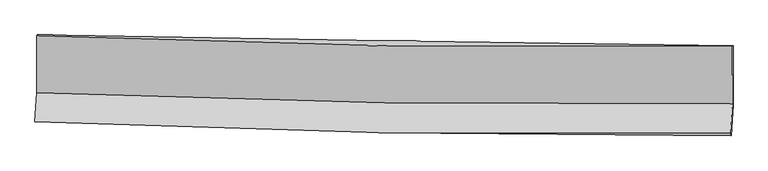
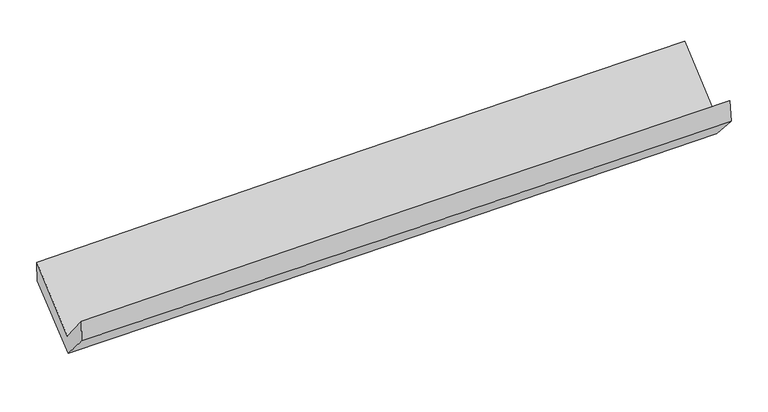
"""IFC4 building model written with IfcOpenShell, lengths in millimetres: proxy geometry."""

from ifc_helpers import new_model, si_unit, frame, origin, place, context, project, spatial, source, transform, mapped, element, save
from ifc_brep_helpers import plane_surface, spline_curve, spline_surface, advanced_brep


def generic_models_1f5fac0b(model_context):
    return source(origin(), model_context, "Body", "AdvancedBrep", [
        advanced_brep(
        [(-3031.3975846, -1178.8835582, 2167.4740689), (-3030.6911475, -1674.6804941, 1731.2952145), (3022.0170871, -1770.9081733, 1871.60666), (3021.3035848, -1270.1527092, 2312.1477946), (-3045.717177, -1927.2081924, 2041.063758), (3006.8042302, -2026.7386947, 2185.091369), (-3039.8551514, -1924.4106493, 1840.7208955), (3011.9128162, -2047.3744541, 1991.3357952), (-3025.8244678, -1677.812473, 1560.4397511), (3026.8728775, -1780.441263, 1695.8115999), (-3025.6755023, -1170.2966228, 1976.7774718), (3027.0305111, -1264.4140214, 2118.9182859)],
        [
            (0, 1),
            (1, 2, spline_curve(3, [(-3030.6911475, -1674.6804941, 1731.2952145), (-2023.092641911, -1715.553423778, 1778.54731248), (-1014.951404054, -1744.009300674, 1813.866006198), (1002.617790895, -1776.09014924, 1860.641250305), (2012.045964562, -1779.710165424, 1872.093038798), (3022.0170871, -1770.9081733, 1871.60666)], [4, 2, 4], [0.0, 9.933936887649857, 19.869855824089296])),
            (2, 3),
            (3, 0, spline_curve(3, [(3021.3035848, -1270.1527092, 2312.1477946), (2011.115302486, -1282.854766772, 2316.903012134), (1001.57914853, -1281.597882278, 2307.221834516), (-1015.987648127, -1251.169263224, 2258.991500334), (-2024.018550472, -1222.003097706, 2220.448102607), (-3031.3975846, -1178.8835582, 2167.4740689)], [4, 2, 4], [0.0, 9.935918936439439, 19.869855824089296])),
            (1, 4),
            (4, 5, spline_curve(3, [(-3045.717177, -1927.2081924, 2041.063758), (-2038.337762925, -1972.036032693, 2092.605932941), (-1030.321647961, -2002.744742704, 2130.379497722), (987.185233587, -2035.927211498, 2178.394196419), (1996.676254296, -2038.395335652, 2188.62983506), (3006.8042302, -2026.7386947, 2185.091369)], [4, 2, 4], [0.0, 9.933847161545193, 19.869676353977546])),
            (5, 2),
            (4, 6),
            (6, 7, spline_curve(3, [(-3039.8551514, -1924.4106493, 1840.7208955), (-2031.723711575, -1959.453411152, 1874.389919559), (-1023.394320457, -1987.221479428, 1903.774848701), (993.861590048, -2028.212317872, 1953.981524893), (2002.788187712, -2041.432184387, 1974.801562397), (3011.9128162, -2047.3744541, 1991.3357952)], [4, 2, 4], [0.0, 9.932817472525237, 19.867616770491004])),
            (7, 5),
            (6, 8),
            (8, 9, spline_curve(3, [(-3025.8244678, -1677.812473, 1560.4397511), (-2016.976958417, -1698.202390985, 1581.521371243), (-1008.212063978, -1716.949059897, 1603.341970006), (1009.353750683, -1751.159312428, 1648.465624548), (2018.15463797, -1766.622240148, 1671.768975581), (3026.8728775, -1780.441263, 1695.8115999)], [4, 2, 4], [0.0, 9.931818442473737, 19.865618511058543])),
            (9, 7),
            (8, 10),
            (10, 11, spline_curve(3, [(-3025.6755023, -1170.2966228, 1976.7774718), (-2016.824447208, -1189.011104612, 1999.127943561), (-1008.057057592, -1206.210830873, 2022.146999079), (1009.511646985, -1237.583901839, 2069.52700335), (2018.312928446, -1251.756641677, 2093.888219372), (3027.0305111, -1264.4140214, 2118.9182859)], [4, 2, 4], [0.0, 9.931915789306837, 19.865813224147672])),
            (11, 9),
            (10, 0),
            (3, 11),
        ],
        [
            spline_surface(3, 3, [[(-3031.3975846, -1178.8835582, 2167.4740689), (-2024.018550351, -1222.003097638, 2220.448102588), (-1015.987647968, -1251.169263301, 2258.991500273), (1001.579148371, -1281.597882201, 2307.221834577), (2011.115302407, -1282.854766925, 2316.903012107), (3021.3035848, -1270.1527092, 2312.1477946)], [(-3031.162105566, -1344.14920348, 2022.081117445), (-2023.709914156, -1386.519873003, 2073.147839243), (-1015.642233329, -1415.449275776, 2110.616335576), (1001.925362547, -1446.428637886, 2158.361639873), (2011.425523158, -1448.473233084, 2168.63302095), (3021.54141889, -1437.071197234, 2165.300749732)], [(-3030.926626534, -1509.41484882, 1876.688165955), (-2023.401277964, -1551.036648427, 1925.847575862), (-1015.296818694, -1579.729288217, 1962.241170807), (1002.271576719, -1611.259393536, 2009.501445096), (2011.735743938, -1614.091699243, 2020.363029796), (3021.77925301, -1603.989685266, 2018.453704868)], [(-3030.6911475, -1674.6804941, 1731.2952145), (-2023.092641769, -1715.553423792, 1778.547312517), (-1014.951404054, -1744.009300693, 1813.866006111), (1002.617790896, -1776.090149222, 1860.641250392), (2012.045964688, -1779.710165402, 1872.093038639), (3022.0170871, -1770.9081733, 1871.60666)]], [4, 4], [4, 2, 4], [0.0, 2.182418473110178], [0.0, 9.933936887649857, 19.869855824089296]),
            spline_surface(3, 3, [[(-3030.6911475, -1674.6804941, 1731.2952145), (-2023.092641769, -1715.553423792, 1778.547312517), (-1014.951404054, -1744.009300693, 1813.866006111), (1002.617790896, -1776.090149222, 1860.641250392), (2012.045964688, -1779.710165402, 1872.093038639), (3022.0170871, -1770.9081733, 1871.60666)], [(-3035.699824003, -1758.856393546, 1834.551395659), (-2028.174348855, -1801.047626799, 1883.233519341), (-1020.07481869, -1830.254448014, 1919.370503317), (997.473605154, -1862.702503307, 1966.558899008), (2006.922727892, -1865.938555513, 1977.605304147), (3016.946134783, -1856.185013764, 1976.101562982)], [(-3040.708500497, -1843.032292954, 1937.807576841), (-2033.256055932, -1886.541829768, 1987.919726188), (-1025.198233368, -1916.499595369, 2024.875000609), (992.329419371, -1949.314857427, 2072.476547709), (2001.799491146, -1952.166945631, 2083.117569709), (3011.875182517, -1941.461854236, 2080.596466018)], [(-3045.717177, -1927.2081924, 2041.063758), (-2038.337763019, -1972.036032775, 2092.605933013), (-1030.321648004, -2002.74474269, 2130.379497816), (987.18523363, -2035.927211512, 2178.394196325), (1996.67625435, -2038.395335742, 2188.629835217), (3006.8042302, -2026.7386947, 2185.091369)]], [4, 4], [4, 2, 4], [0.0, 1.3449049849109929], [0.0, 9.933847161545193, 19.869676353977546]),
            spline_surface(3, 3, [[(-3045.717177, -1927.2081924, 2041.063758), (-2038.337763019, -1972.036032775, 2092.605933013), (-1030.321648004, -2002.74474269, 2130.379497816), (987.18523363, -2035.927211512, 2178.394196325), (1996.67625435, -2038.395335742, 2188.629835217), (3006.8042302, -2026.7386947, 2185.091369)], [(-3043.763168444, -1926.275678038, 1974.282803815), (-2036.133079201, -1967.841825605, 2019.867261865), (-1028.012538755, -1997.570321653, 2054.844614782), (989.410685735, -2033.355580256, 2103.589972558), (1998.713565514, -2039.407618638, 2117.353744316), (3008.507092226, -2033.617281196, 2120.506177753)], [(-3041.809159956, -1925.343163662, 1907.501849685), (-2033.928395452, -1963.647618421, 1947.128590771), (-1025.703429555, -1992.395900605, 1979.309731675), (991.636137792, -2030.783948988, 2028.785748719), (2000.7508766, -2040.419901446, 2046.077653355), (3010.209954174, -2040.495867604, 2055.920986447)], [(-3039.8551514, -1924.4106493, 1840.7208955), (-2031.723711634, -1959.453411251, 1874.389919623), (-1023.394320306, -1987.221479568, 1903.774848641), (993.861589897, -2028.212317731, 1953.981524953), (2002.788187764, -2041.432184342, 1974.801562454), (3011.9128162, -2047.3744541, 1991.3357952)]], [4, 4], [4, 2, 4], [0.0, 0.7411743851084295], [0.0, 9.932817472525237, 19.867616770491004]),
            spline_surface(3, 3, [[(-3039.8551514, -1924.4106493, 1840.7208955), (-2031.723711634, -1959.453411251, 1874.389919623), (-1023.394320306, -1987.221479568, 1903.774848641), (993.861589897, -2028.212317731, 1953.981524953), (2002.788187764, -2041.432184342, 1974.801562454), (3011.9128162, -2047.3744541, 1991.3357952)], [(-3035.178256864, -1842.211257178, 1747.293847393), (-2026.808127263, -1872.369737797, 1776.767070231), (-1018.333568216, -1897.130673005, 1803.630555723), (999.025643496, -1935.861315936, 1852.142891486), (2007.910337831, -1949.828869569, 1873.790700178), (3016.899503295, -1958.396723714, 1892.827730086)], [(-3030.501362336, -1760.011865122, 1653.866799207), (-2021.8925429, -1785.286064408, 1679.144220761), (-1013.272816103, -1807.039866492, 1703.486262861), (1004.189697118, -1843.510314192, 1750.304258077), (2013.032487914, -1858.225554852, 1772.779837946), (3021.886190405, -1869.418993386, 1794.319665014)], [(-3025.8244678, -1677.812473, 1560.4397511), (-2016.976958529, -1698.202390954, 1581.521371369), (-1008.212064013, -1716.949059928, 1603.341969943), (1009.353750718, -1751.159312397, 1648.465624611), (2018.154637981, -1766.622240079, 1671.76897567), (3026.8728775, -1780.441263, 1695.8115999)]], [4, 4], [4, 2, 4], [0.0, 1.3404175205219266], [0.0, 9.931818442473737, 19.865618511058543]),
            spline_surface(3, 3, [[(-3025.8244678, -1677.812473, 1560.4397511), (-2016.976958529, -1698.202390954, 1581.521371369), (-1008.212064013, -1716.949059928, 1603.341969943), (1009.353750718, -1751.159312397, 1648.465624611), (2018.154637981, -1766.622240079, 1671.76897567), (3026.8728775, -1780.441263, 1695.8115999)], [(-3025.774812635, -1508.640522933, 1699.218991324), (-2016.926121461, -1528.471962224, 1720.723562072), (-1008.160395205, -1546.702983639, 1742.943646286), (1009.40638278, -1579.967508857, 1788.819417574), (2018.207401417, -1595.000373941, 1812.475390251), (3026.925422008, -1608.43218246, 1836.847161893)], [(-3025.725157465, -1339.468572867, 1837.998231576), (-2016.875284389, -1358.741533497, 1859.925752804), (-1008.108726359, -1376.456907287, 1882.545322607), (1009.45901488, -1408.775705255, 1929.173210516), (2018.260164929, -1423.378507823, 1953.181804853), (3026.977966592, -1436.42310194, 1977.882723907)], [(-3025.6755023, -1170.2966228, 1976.7774718), (-2016.824447322, -1189.011104767, 1999.127943508), (-1008.05705755, -1206.210830997, 2022.146998949), (1009.511646943, -1237.583901715, 2069.527003479), (2018.312928365, -1251.756641685, 2093.888219434), (3027.0305111, -1264.4140214, 2118.9182859)]], [4, 4], [4, 2, 4], [0.0, 2.172919376745119], [0.0, 9.931915789306837, 19.865813224147672]),
            spline_surface(3, 3, [[(-3025.6755023, -1170.2966228, 1976.7774718), (-2016.824447322, -1189.011104767, 1999.127943508), (-1008.05705755, -1206.210830997, 2022.146998949), (1009.511646943, -1237.583901715, 2069.527003479), (2018.312928365, -1251.756641685, 2093.888219434), (3027.0305111, -1264.4140214, 2118.9182859)], [(-3027.582863089, -1173.158934625, 2040.343004163), (-2019.222481687, -1200.008435749, 2072.901329865), (-1010.700587701, -1221.196975091, 2101.095166048), (1006.867480741, -1252.255228535, 2148.758613837), (2015.913719744, -1262.122683429, 2168.226483678), (3025.121535698, -1266.326917331, 2183.328122154)], [(-3029.490223811, -1176.021246375, 2103.908536537), (-2021.620515986, -1211.005766656, 2146.674716231), (-1013.344117818, -1236.183119208, 2180.043333174), (1004.223314572, -1266.92655538, 2227.99022422), (2013.514511028, -1272.488725181, 2242.564747862), (3023.212560202, -1268.239813269, 2247.737958346)], [(-3031.3975846, -1178.8835582, 2167.4740689), (-2024.018550351, -1222.003097638, 2220.448102588), (-1015.987647968, -1251.169263301, 2258.991500273), (1001.579148371, -1281.597882201, 2307.221834577), (2011.115302407, -1282.854766925, 2316.903012107), (3021.3035848, -1270.1527092, 2312.1477946)]], [4, 4], [4, 2, 4], [0.0, 0.792435639090299], [0.0, 9.9325544083572, 19.86709058966758]),
            plane_surface(frame((3019.3235178, -1693.3382193, 2029.1519174), z_axis=(0.9992939156299151, -0.02400463456766099, 0.028904112238661506), x_axis=(0.00023622212725610275, 0.7732939640455043, 0.6340476238973669))),
            plane_surface(frame((-3033.1935051, -1592.2153316, 1886.2951933), z_axis=(-0.9992939156299506, 0.024004634566915404, -0.028904112238054454), x_axis=(0.029962378170514097, 0.04496352752633156, -0.9985392015773622))),
        ],
        [
            (0, [[1, 2, 3, 4]]),
            (1, [[5, 6, 7, -2]]),
            (2, [[8, 9, 10, -6]]),
            (3, [[11, 12, 13, -9]]),
            (4, [[14, 15, 16, -12]]),
            (5, [[17, -4, 18, -15]]),
            (6, [[-16, -18, -3, -7, -10, -13]]),
            (7, [[-17, -14, -11, -8, -5, -1]]),
        ],
    ),
    ])


if __name__ == "__main__":
    model = new_model("IFC4")
    model_context = context("Model", 3, world=origin())
    ifc_project = project(units=[si_unit("LENGTHUNIT", "METRE", prefix="MILLI")], contexts=[model_context])
    site = spatial("IfcSite", under=ifc_project)
    building = spatial("IfcBuilding", under=site)
    placement = place(None, origin())
    generic_models_shape = generic_models_1f5fac0b(model_context)
    element("IfcBuildingElementProxy", 1, Name="Generic Models", at=placement, inside=building, context=model_context, shape_type="MappedRepresentation", body=[
        mapped(generic_models_shape, transform((0.0, 0.0, 0.0), x_axis=(1.0, 0.0, 0.0), y_axis=(0.0, 1.0, 0.0), z_axis=(0.0, 0.0, 1.0))),
    ])
    save(model, "model.ifc")
